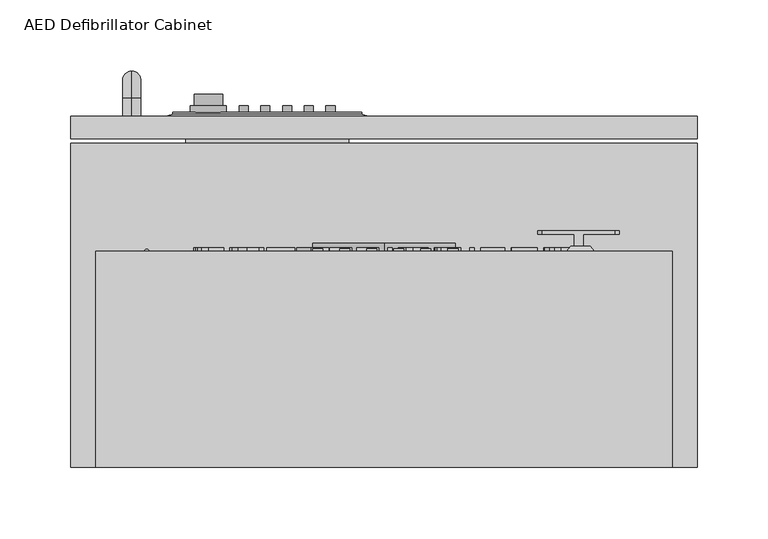
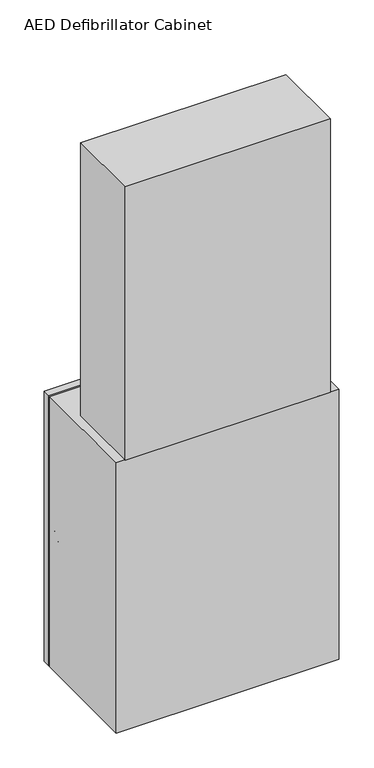
"""IFC4 building model written with IfcOpenShell, lengths in millimetres: proxy geometry, AED Defibrillator Cabinet."""

from ifc_helpers import new_model, si_unit, point, frame, frame_2d, origin, place, context, project, spatial, polyline, circle_curve, ellipse_curve, trimmed, segment, composite_curve, outline, extrude, faceted_brep, source, transform, mapped, element, save
from ifc_brep_helpers import plane_surface, cylinder_surface, revolved_surface, extruded_surface, advanced_brep


def aed_defibrillator_cabinet_9cc47177(model_context):
    return source(origin(), model_context, "Body", "SolidModel", [
        faceted_brep([(-15.5662807, 401.4462657, 1050.925), (-148.9162807, 401.4462657, 1050.925), (-148.9162807, 401.4462657, 1069.975), (-15.5662807, 401.4462657, 1069.975), (-11.1125, 400.05, 1038.225), (-11.1125, 400.05, 1082.675), (-153.9875, 400.05, 1082.675), (-153.9875, 400.05, 1038.225)], [[[0, 1, 2, 3]], [[4, 5, 6, 7]], [[4, 7, 1, 0]], [[7, 6, 2, 1]], [[6, 5, 3, 2]], [[5, 4, 0, 3]]]),
        extrude(outline(polyline([(-139.7, 392.9343826), (-24.8172321, 392.9343826), (-24.8172321, 380.4839733), (-139.7, 380.4839733), (-139.7, 392.9343826)])), frame((0.0, 0.0, 1050.925), z_axis=(0.0, 0.0, 1.0), x_axis=(1.0, 0.0, 0.0)), (0.0, 0.0, 1.0), 19.05),
        advanced_brep(
        [(-113.7031588, 415.4089733, 1060.45), (-133.7508181, 415.4089733, 1060.45), (-113.7031588, 407.3736838, 1060.45), (-133.7508181, 407.3736838, 1060.45)],
        [
            (0, 1, ellipse_curve(frame((-123.7269885, 415.4089733, 1060.308908), z_axis=(0.0, 1.0, 0.0), x_axis=(-1.0, 0.0, 0.0)), 10.0366454, 2.7928582)),
            (1, 0, ellipse_curve(frame((-123.7269885, 415.4089733, 1060.591092), z_axis=(0.0, 1.0, 0.0), x_axis=(-1.0, 0.0, 0.0)), 10.0366454, 2.7928582)),
            (2, 3, ellipse_curve(frame((-123.7269885, 407.3736838, 1060.591092), z_axis=(0.0, -1.0, 0.0), x_axis=(-1.0, 0.0, 0.0)), 10.0366454, 2.7928582)),
            (3, 2, ellipse_curve(frame((-123.7269885, 407.3736838, 1060.308908), z_axis=(0.0, -1.0, 0.0), x_axis=(-1.0, 0.0, 0.0)), 10.0366454, 2.7928582)),
            (0, 2),
            (3, 1),
        ],
        [
            plane_surface(frame((-133.7636339, 415.4089733, 1060.308908), z_axis=(0.0, 1.0, 0.0), x_axis=(0.0, 0.0, 1.0))),
            plane_surface(frame((-133.7636339, 407.3736838, 1060.308908), z_axis=(0.0, -1.0, 0.0), x_axis=(0.0, 0.0, -1.0))),
            extruded_surface(trimmed(ellipse_curve(frame((-123.7269885, 399.3383944, 1060.308908), z_axis=(0.0, 1.0, 0.0), x_axis=(-1.0, 0.0, 0.0)), 10.0366454, 2.7928582), [point((-113.7031588, 399.3383944, 1060.45))], [point((-133.7508181, 399.3383944, 1060.45))], True, "CARTESIAN"), (0.0, 8.035289399999954, 0.0), 8.035289399999954),
            extruded_surface(trimmed(ellipse_curve(frame((-123.7269885, 399.3383944, 1060.591092), z_axis=(0.0, 1.0, 0.0), x_axis=(-1.0, 0.0, 0.0)), 10.0366454, 2.7928582), [point((-133.7508181, 399.3383944, 1060.45))], [point((-113.7031588, 399.3383944, 1060.45))], True, "CARTESIAN"), (0.0, 8.035289399999954, 0.0), 8.035289399999954),
        ],
        [
            (0, [[1, 2]]),
            (1, [[3, 4]]),
            (2, [[-1, 5, -4, 6]]),
            (3, [[-2, -6, -3, -5]]),
        ],
    ),
        extrude(outline(composite_curve([segment(trimmed(circle_curve(frame_2d((1060.45, -99.0035386)), 3.175), [point((1060.45, -102.1785386))], [point((1060.45, -95.8285386))], False, "CARTESIAN"), True, "CONTINUOUS"), segment(trimmed(circle_curve(frame_2d((1060.45, -99.0035386)), 3.175), [point((1060.45, -95.8285386))], [point((1060.45, -102.1785386))], False, "CARTESIAN"), True, "CONTINUOUS")], self_intersect=False)), frame((0.0, 402.7089733, 0.0), z_axis=(0.0, 1.0, 0.0), x_axis=(0.0, 0.0, 1.0)), (0.0, 0.0, 1.0), 4.6647105),
        extrude(outline(composite_curve([segment(trimmed(circle_curve(frame_2d((1060.45, -83.6807345)), 3.175), [point((1060.45, -86.8557345))], [point((1060.45, -80.5057345))], False, "CARTESIAN"), True, "CONTINUOUS"), segment(trimmed(circle_curve(frame_2d((1060.45, -83.6807345)), 3.175), [point((1060.45, -80.5057345))], [point((1060.45, -86.8557345))], False, "CARTESIAN"), True, "CONTINUOUS")], self_intersect=False)), frame((0.0, 402.7089733, 0.0), z_axis=(0.0, 1.0, 0.0), x_axis=(0.0, 0.0, 1.0)), (0.0, 0.0, 1.0), 4.6647105),
        extrude(outline(composite_curve([segment(trimmed(circle_curve(frame_2d((1060.45, -68.3579304)), 3.175), [point((1060.45, -71.5329304))], [point((1060.45, -65.1829304))], False, "CARTESIAN"), True, "CONTINUOUS"), segment(trimmed(circle_curve(frame_2d((1060.45, -68.3579304)), 3.175), [point((1060.45, -65.1829304))], [point((1060.45, -71.5329304))], False, "CARTESIAN"), True, "CONTINUOUS")], self_intersect=False)), frame((0.0, 402.7089733, 0.0), z_axis=(0.0, 1.0, 0.0), x_axis=(0.0, 0.0, 1.0)), (0.0, 0.0, 1.0), 4.6647105),
        extrude(outline(composite_curve([segment(trimmed(circle_curve(frame_2d((1060.45, -53.0351263)), 3.175), [point((1060.45, -56.2101263))], [point((1060.45, -49.8601263))], False, "CARTESIAN"), True, "CONTINUOUS"), segment(trimmed(circle_curve(frame_2d((1060.45, -53.0351263)), 3.175), [point((1060.45, -49.8601263))], [point((1060.45, -56.2101263))], False, "CARTESIAN"), True, "CONTINUOUS")], self_intersect=False)), frame((0.0, 402.7089733, 0.0), z_axis=(0.0, 1.0, 0.0), x_axis=(0.0, 0.0, 1.0)), (0.0, 0.0, 1.0), 4.6647105),
        extrude(outline(composite_curve([segment(trimmed(circle_curve(frame_2d((1060.45, -37.7123222)), 3.175), [point((1060.45, -40.8873222))], [point((1060.45, -34.5373222))], False, "CARTESIAN"), True, "CONTINUOUS"), segment(trimmed(circle_curve(frame_2d((1060.45, -37.7123222)), 3.175), [point((1060.45, -34.5373222))], [point((1060.45, -40.8873222))], False, "CARTESIAN"), True, "CONTINUOUS")], self_intersect=False)), frame((0.0, 402.7089733, 0.0), z_axis=(0.0, 1.0, 0.0), x_axis=(0.0, 0.0, 1.0)), (0.0, 0.0, 1.0), 4.6647105),
        extrude(outline(composite_curve([segment(trimmed(circle_curve(frame_2d((1060.45, -124.0089509)), 12.7), [point((1060.45, -136.7089509))], [point((1060.45, -111.3089509))], False, "CARTESIAN"), True, "CONTINUOUS"), segment(trimmed(circle_curve(frame_2d((1060.45, -124.0089509)), 12.7), [point((1060.45, -111.3089509))], [point((1060.45, -136.7089509))], False, "CARTESIAN"), True, "CONTINUOUS")], self_intersect=False)), frame((0.0, 402.7089733, 0.0), z_axis=(0.0, 1.0, 0.0), x_axis=(0.0, 0.0, 1.0)), (0.0, 0.0, 1.0), 4.6647105),
        extrude(outline(polyline([(-148.9162807, 402.7089733), (-15.5662807, 402.7089733), (-15.5662807, 392.9343826), (-148.9162807, 392.9343826), (-148.9162807, 402.7089733)])), frame((0.0, 0.0, 1050.925), z_axis=(0.0, 0.0, 1.0), x_axis=(1.0, 0.0, 0.0)), (0.0, 0.0, 1.0), 19.05),
        advanced_brep(
        [(-177.8, 400.05, 1111.25), (-177.8, 400.05, 1123.95), (-177.8, 412.75, 1111.25), (-177.8, 412.75, 1123.95), (-177.8, 431.8, 1104.9), (-177.8, 419.1, 1104.9), (-177.8, 419.1, 1028.7), (-177.8, 431.8, 1028.7), (-177.8, 412.75, 1009.65), (-177.8, 412.75, 1022.35), (-177.8, 400.05, 1022.35), (-177.8, 400.05, 1009.65)],
        [
            (0, 1, circle_curve(frame((-177.8, 400.05, 1117.6), z_axis=(0.0, -1.0, 0.0), x_axis=(0.0, 0.0, 1.0)), 6.35)),
            (1, 0, circle_curve(frame((-177.8, 400.05, 1117.6), z_axis=(0.0, -1.0, 0.0), x_axis=(0.0, 0.0, 1.0)), 6.35)),
            (0, 2),
            (2, 3, circle_curve(frame((-177.8, 412.75, 1117.6), z_axis=(0.0, -1.0, 0.0), x_axis=(0.0, 0.0, 1.0)), 6.35)),
            (3, 1),
            (3, 2, circle_curve(frame((-177.8, 412.75, 1117.6), z_axis=(0.0, -1.0, 0.0), x_axis=(0.0, 0.0, 1.0)), 6.35)),
            (4, 3, circle_curve(frame((-177.8, 412.75, 1104.9), z_axis=(1.0, 0.0, 0.0), x_axis=(0.0, 0.0, 1.0)), 19.05)),
            (2, 5, circle_curve(frame((-177.8, 412.75, 1104.9), z_axis=(-1.0, 0.0, 0.0), x_axis=(0.0, 0.0, 1.0)), 6.35)),
            (5, 4, circle_curve(frame((-177.8, 425.45, 1104.9), z_axis=(0.0, 0.0, 1.0), x_axis=(0.0, 1.0, 0.0)), 6.35)),
            (4, 5, circle_curve(frame((-177.8, 425.45, 1104.9), z_axis=(0.0, 0.0, 1.0), x_axis=(0.0, 1.0, 0.0)), 6.35)),
            (5, 6),
            (6, 7, circle_curve(frame((-177.8, 425.45, 1028.7), z_axis=(0.0, 0.0, 1.0), x_axis=(0.0, 1.0, 0.0)), 6.35)),
            (7, 4),
            (7, 6, circle_curve(frame((-177.8, 425.45, 1028.7), z_axis=(0.0, 0.0, 1.0), x_axis=(0.0, 1.0, 0.0)), 6.35)),
            (8, 7, circle_curve(frame((-177.8, 412.75, 1028.7), z_axis=(1.0, 0.0, 0.0), x_axis=(0.0, 1.0, 0.0)), 19.05)),
            (6, 9, circle_curve(frame((-177.8, 412.75, 1028.7), z_axis=(-1.0, 0.0, 0.0), x_axis=(0.0, 1.0, 0.0)), 6.35)),
            (9, 8, circle_curve(frame((-177.8, 412.75, 1016.0), z_axis=(0.0, 1.0, 0.0), x_axis=(0.0, 0.0, -1.0)), 6.35)),
            (8, 9, circle_curve(frame((-177.8, 412.75, 1016.0), z_axis=(0.0, 1.0, 0.0), x_axis=(0.0, 0.0, -1.0)), 6.35)),
            (10, 11, circle_curve(frame((-177.8, 400.05, 1016.0), z_axis=(0.0, -1.0, 0.0), x_axis=(0.0, 0.0, -1.0)), 6.35)),
            (11, 10, circle_curve(frame((-177.8, 400.05, 1016.0), z_axis=(0.0, -1.0, 0.0), x_axis=(0.0, 0.0, -1.0)), 6.35)),
            (9, 10),
            (11, 8),
        ],
        [
            plane_surface(frame((-177.8, 400.05, 1123.95), z_axis=(0.0, -1.0, 0.0), x_axis=(1.0, 0.0, 0.0))),
            cylinder_surface(frame((-177.8, 400.05, 1117.6), z_axis=(0.0, -1.0, 0.0), x_axis=(0.0, 0.0, 1.0)), 6.35),
            revolved_surface(trimmed(ellipse_curve(frame((-177.8, 412.75, 1117.6), z_axis=(0.0, -1.0, 0.0), x_axis=(0.0, 0.0, 1.0)), 6.35, 6.35), [point((-177.8, 412.75, 1111.25))], [point((-177.8, 412.75, 1123.95))], True, "CARTESIAN"), (-177.8, 412.75, 1104.9), (-1.0, 0.0, 0.0)),
            revolved_surface(trimmed(ellipse_curve(frame((-177.8, 412.75, 1117.6), z_axis=(0.0, -1.0, 0.0), x_axis=(0.0, 0.0, 1.0)), 6.35, 6.35), [point((-177.8, 412.75, 1123.95))], [point((-177.8, 412.75, 1111.25))], True, "CARTESIAN"), (-177.8, 412.75, 1104.9), (-1.0, 0.0, 0.0)),
            cylinder_surface(frame((-177.8, 425.45, 1104.9), z_axis=(0.0, 0.0, 1.0), x_axis=(0.0, 1.0, 0.0)), 6.35),
            revolved_surface(trimmed(ellipse_curve(frame((-177.8, 425.45, 1028.7), z_axis=(0.0, 0.0, 1.0), x_axis=(0.0, 1.0, 0.0)), 6.35, 6.35), [point((-177.8, 419.1, 1028.7))], [point((-177.8, 431.8, 1028.7))], True, "CARTESIAN"), (-177.8, 412.75, 1028.7), (-1.0, 0.0, 0.0)),
            revolved_surface(trimmed(ellipse_curve(frame((-177.8, 425.45, 1028.7), z_axis=(0.0, 0.0, 1.0), x_axis=(0.0, 1.0, 0.0)), 6.35, 6.35), [point((-177.8, 431.8, 1028.7))], [point((-177.8, 419.1, 1028.7))], True, "CARTESIAN"), (-177.8, 412.75, 1028.7), (-1.0, 0.0, 0.0)),
            plane_surface(frame((-177.8, 400.05, 1022.35), z_axis=(0.0, -1.0, 0.0), x_axis=(-1.0, 0.0, 0.0))),
            cylinder_surface(frame((-177.8, 412.75, 1016.0), z_axis=(0.0, 1.0, 0.0), x_axis=(0.0, 0.0, -1.0)), 6.35),
        ],
        [
            (0, [[1, 2]]),
            (1, [[-1, 3, 4, 5]]),
            (1, [[-2, -5, 6, -3]]),
            (2, [[7, -4, 8, 9]]),
            (3, [[-8, -6, -7, 10]]),
            (4, [[-9, 11, 12, 13]]),
            (4, [[-10, -13, 14, -11]]),
            (5, [[15, -12, 16, 17]]),
            (6, [[-16, -14, -15, 18]]),
            (7, [[19, 20]]),
            (8, [[-17, 21, -20, 22]]),
            (8, [[-18, -22, -19, -21]]),
        ],
    ),
        extrude(outline(polyline([(1860.787211, 133.1619409), (1885.7964417, 133.1619409), (1885.7964417, 124.534489), (1885.4362013, 120.0711716), (1883.647211, 116.3954986), (1879.3731725, 113.4342005), (1873.4261533, 112.4511716), (1868.379735, 113.1167005), (1864.7376437, 114.8263159), (1862.4693504, 117.1098736), (1861.2146148, 120.0986476), (1860.787211, 124.1192966), (1860.787211, 133.1619409)]), holes=[polyline([(1863.9133648, 130.035787), (1863.9133648, 124.5039601), (1864.3651917, 120.4802582), (1865.6412975, 118.1600659), (1868.7460812, 116.2581188), (1873.4749994, 115.5773255), (1879.3975956, 116.9114361), (1882.1696148, 120.1566524), (1882.6702879, 124.5894409), (1882.6702879, 130.035787), (1863.9133648, 130.035787)])]), frame((0.0, 304.8, 0.0), z_axis=(0.0, 1.0, 0.0), x_axis=(0.0, 0.0, 1.0)), (0.0, 0.0, 1.0), 2.38125),
        extrude(outline(polyline([(1860.787211, 108.1527101), (1885.7964417, 108.1527101), (1885.7964417, 90.1773255), (1882.6702879, 90.1773255), (1882.6702879, 105.0265563), (1875.2456725, 105.0265563), (1875.2456725, 90.958864), (1872.1195187, 90.958864), (1872.1195187, 105.0265563), (1863.9133648, 105.0265563), (1863.9133648, 89.7865563), (1860.787211, 89.7865563), (1860.787211, 108.1527101)])), frame((0.0, 304.8, 0.0), z_axis=(0.0, 1.0, 0.0), x_axis=(0.0, 0.0, 1.0)), (0.0, 0.0, 1.0), 2.38125),
        extrude(outline(polyline([(1860.787211, 85.0973255), (1885.7964417, 85.0973255), (1885.7964417, 68.2942486), (1882.6702879, 68.2942486), (1882.6702879, 81.9711716), (1875.2456725, 81.9711716), (1875.2456725, 70.2480947), (1872.1195187, 70.2480947), (1872.1195187, 81.9711716), (1860.787211, 81.9711716), (1860.787211, 85.0973255)])), frame((0.0, 304.8, 0.0), z_axis=(0.0, 1.0, 0.0), x_axis=(0.0, 0.0, 1.0)), (0.0, 0.0, 1.0), 2.38125),
        extrude(outline(polyline([(60.478864, 307.18125), (63.6050178, 307.18125), (63.6050178, 304.8), (60.478864, 304.8), (60.478864, 307.18125)])), frame((0.0, 0.0, 1860.787211), z_axis=(0.0, 0.0, 1.0), x_axis=(1.0, 0.0, 0.0)), (0.0, 0.0, 1.0), 25.0092308),
        extrude(outline(polyline([(1860.787211, 54.2265563), (1885.7964417, 54.2265563), (1885.7964417, 44.683239), (1885.0606965, 40.0092726), (1882.798509, 37.2494649), (1879.599086, 36.2511716), (1876.6774754, 37.0907149), (1874.464134, 39.627662), (1872.1317302, 36.5473015), (1868.2423552, 35.4696332), (1864.8811292, 36.2053784), (1862.4876677, 38.0279505), (1861.2176677, 40.7480707), (1860.787211, 44.7565082), (1860.787211, 54.2265563)]), holes=[polyline([(1875.6364417, 51.1004024), (1875.6364417, 45.3915082), (1875.9050956, 42.0577582), (1877.0621388, 40.052013), (1879.0984129, 39.3773255), (1881.1377398, 40.0062197), (1882.3436292, 41.8074216), (1882.6702879, 45.8250178), (1882.6702879, 51.1004024), (1875.6364417, 51.1004024)]), polyline([(1863.9133648, 51.1004024), (1863.9133648, 44.6893447), (1864.0354802, 42.3691524), (1864.7162735, 40.4061476), (1866.105336, 39.1056188), (1868.2118263, 38.595787), (1870.6419225, 39.1941524), (1872.0920427, 41.1327341), (1872.5102879, 44.9946332), (1872.5102879, 51.1004024), (1863.9133648, 51.1004024)])]), frame((0.0, 304.8, 0.0), z_axis=(0.0, 1.0, 0.0), x_axis=(0.0, 0.0, 1.0)), (0.0, 0.0, 1.0), 2.38125),
        extrude(outline(polyline([(1860.787211, 31.1711716), (1885.7964417, 31.1711716), (1885.7964417, 20.394489), (1885.1217542, 15.3908111), (1882.7343985, 12.6554265), (1878.9518744, 11.6327101), (1874.4458167, 13.3270611), (1872.1195187, 18.5627582), (1870.7823552, 16.7859793), (1867.5646148, 14.2520851), (1860.787211, 10.0818447), (1860.787211, 13.7147774), (1865.971009, 16.9691524), (1869.4024513, 19.3198736), (1871.0235331, 20.9714841), (1871.6188456, 22.458239), (1871.7287494, 24.2716524), (1871.7287494, 28.0450178), (1860.787211, 28.0450178), (1860.787211, 31.1711716)]), holes=[polyline([(1874.8549033, 28.0450178), (1874.8549033, 21.0478063), (1875.2975715, 17.4789841), (1876.71411, 15.4518688), (1878.8358648, 14.758864), (1881.5895667, 16.080763), (1882.6702879, 20.260162), (1882.6702879, 28.0450178), (1874.8549033, 28.0450178)])]), frame((0.0, 304.8, 0.0), z_axis=(0.0, 1.0, 0.0), x_axis=(0.0, 0.0, 1.0)), (0.0, 0.0, 1.0), 2.38125),
        extrude(outline(polyline([(2.6450178, 307.18125), (5.7711716, 307.18125), (5.7711716, 304.8), (2.6450178, 304.8), (2.6450178, 307.18125)])), frame((0.0, 0.0, 1860.787211), z_axis=(0.0, 0.0, 1.0), x_axis=(1.0, 0.0, 0.0)), (0.0, 0.0, 1.0), 25.0092308),
        extrude(outline(polyline([(1860.787211, -3.6072899), (1885.7964417, -3.6072899), (1885.7964417, -6.7334437), (1863.9133648, -6.7334437), (1863.9133648, -19.2380591), (1860.787211, -19.2380591), (1860.787211, -3.6072899)])), frame((0.0, 304.8, 0.0), z_axis=(0.0, 1.0, 0.0), x_axis=(0.0, 0.0, 1.0)), (0.0, 0.0, 1.0), 2.38125),
        extrude(outline(polyline([(1860.787211, -22.7549822), (1885.7964417, -22.7549822), (1885.7964417, -25.881136), (1863.9133648, -25.881136), (1863.9133648, -38.3857514), (1860.787211, -38.3857514), (1860.787211, -22.7549822)])), frame((0.0, 304.8, 0.0), z_axis=(0.0, 1.0, 0.0), x_axis=(0.0, 0.0, 1.0)), (0.0, 0.0, 1.0), 2.38125),
        extrude(outline(polyline([(1860.787211, -38.9902226), (1885.7964417, -48.9731553), (1885.7964417, -51.6352707), (1860.787211, -61.6182034), (1860.787211, -58.3149822), (1868.6025956, -55.4513764), (1868.6025956, -45.1509437), (1860.787211, -42.2934437), (1860.787211, -38.9902226)]), holes=[polyline([(1871.7287494, -46.2988284), (1871.7287494, -54.3095976), (1877.877259, -52.0565687), (1882.6702879, -50.304213), (1878.4145667, -48.7472418), (1871.7287494, -46.2988284)])]), frame((0.0, 304.8, 0.0), z_axis=(0.0, 1.0, 0.0), x_axis=(0.0, 0.0, 1.0)), (0.0, 0.0, 1.0), 2.38125),
        extrude(outline(polyline([(1860.787211, -71.2103668), (1882.6702879, -71.2103668), (1882.6702879, -63.004213), (1885.7964417, -63.004213), (1885.7964417, -82.5426745), (1882.6702879, -82.5426745), (1882.6702879, -74.3365207), (1860.787211, -74.3365207), (1860.787211, -71.2103668)])), frame((0.0, 304.8, 0.0), z_axis=(0.0, 1.0, 0.0), x_axis=(0.0, 0.0, 1.0)), (0.0, 0.0, 1.0), 2.38125),
        extrude(outline(polyline([(1872.9621148, -84.8872899), (1882.6763937, -88.2210399), (1886.187211, -96.8240687), (1884.5386533, -103.0458476), (1879.941009, -107.2710399), (1873.249086, -108.724213), (1866.4655763, -107.1947178), (1861.9350956, -102.8596216), (1860.3964417, -96.8057514), (1862.0968985, -90.5168091), (1866.7372831, -86.3160399), (1872.9621148, -84.8872899)]), holes=[polyline([(1872.931586, -88.0134437), (1866.0381725, -90.5137562), (1863.5225956, -96.7874341), (1866.0625956, -103.1160639), (1873.273509, -105.5980591), (1878.432884, -104.5356553), (1881.8490619, -101.4308716), (1883.0610571, -96.842386), (1880.7256004, -90.6206072), (1872.931586, -88.0134437)])]), frame((0.0, 304.8, 0.0), z_axis=(0.0, 1.0, 0.0), x_axis=(0.0, 0.0, 1.0)), (0.0, 0.0, 1.0), 2.38125),
        extrude(outline(polyline([(1860.787211, -113.0226745), (1885.7964417, -113.0226745), (1885.7964417, -123.7993572), (1885.1217542, -128.8030351), (1882.7343985, -131.5384197), (1878.9518744, -132.561136), (1874.4458167, -130.8667851), (1872.1195187, -125.631088), (1870.7823552, -127.4078668), (1867.5646148, -129.941761), (1860.787211, -134.1120014), (1860.787211, -130.4790687), (1865.971009, -127.2246937), (1869.4024513, -124.8739726), (1871.0235331, -123.222362), (1871.6188456, -121.7356072), (1871.7287494, -119.9221937), (1871.7287494, -116.1488284), (1860.787211, -116.1488284), (1860.787211, -113.0226745)]), holes=[polyline([(1874.8549033, -116.1488284), (1874.8549033, -123.1460399), (1875.2975715, -126.714862), (1876.71411, -128.7419774), (1878.8358648, -129.4349822), (1881.5895667, -128.1130832), (1882.6702879, -123.9336841), (1882.6702879, -116.1488284), (1874.8549033, -116.1488284)])]), frame((0.0, 304.8, 0.0), z_axis=(0.0, 1.0, 0.0), x_axis=(0.0, 0.0, 1.0)), (0.0, 0.0, 1.0), 2.38125),
        extrude(outline(composite_curve([segment(trimmed(circle_curve(frame_2d((1769.0906989, 15.3206763)), 20.3831094), [point((1753.7700226, 28.7649326))], [point((1782.5349552, 0.0))], False, "CARTESIAN"), True, "CONTINUOUS"), segment(trimmed(circle_curve(frame_2d((1769.0906989, -15.3206763)), 20.3831094), [point((1782.5349552, 0.0))], [point((1753.7700226, -28.7649326))], False, "CARTESIAN"), True, "CONTINUOUS"), segment(polyline([(1753.7700226, -28.7649326), (1719.4893109, 0.0), (1753.7700226, 28.7649326)]), True, "CONTINUOUS")], self_intersect=False), holes=[polyline([(1759.8462001, -4.3928443), (1758.2948475, -1.0659579), (1762.9416292, -1.0659579), (1761.1816526, 2.708324), (1765.0052486, 2.708324), (1757.4753519, 18.1923236), (1758.742388, 7.9393439), (1754.0956063, 7.9393439), (1756.6394607, 2.708324), (1751.9398984, 2.708324), (1755.2512276, -4.3928443), (1759.8462001, -4.3928443)]), polyline([(1765.0052486, -0.0697461), (1766.5566012, -3.3966324), (1761.9098195, -3.3966324), (1763.6697961, -7.1709144), (1759.8462001, -7.1709144), (1767.3760968, -22.654914), (1766.1090607, -12.4019342), (1770.7558424, -12.4019342), (1768.2119881, -7.1709144), (1772.9115504, -7.1709144), (1769.6002212, -0.0697461), (1765.0052486, -0.0697461)])]), frame((0.0, 292.474904, 0.0), z_axis=(0.0, 1.0, 0.0), x_axis=(0.0, 0.0, 1.0)), (0.0, 0.0, 1.0), 4.5777323),
        extrude(outline(composite_curve([segment(trimmed(circle_curve(frame_2d((1618.0923731, 1.0953977)), 211.9060004), [point((1817.0182447, -71.9296023))], [point((1817.0182447, 74.1203977))], True, "CARTESIAN"), True, "CONTINUOUS"), segment(trimmed(circle_curve(frame_2d((1656.1658678, 1.0953977)), 176.6525906), [point((1817.0182447, 74.1203977))], [point((1817.0182447, -71.9296023))], False, "CARTESIAN"), True, "CONTINUOUS")], self_intersect=False)), frame((0.0, 223.3911405, 0.0), z_axis=(0.0, 1.0, 0.0), x_axis=(0.0, 0.0, 1.0)), (0.0, 0.0, 1.0), 22.280329),
        extrude(outline(composite_curve([segment(trimmed(circle_curve(frame_2d((1791.6182447, -71.9296023)), 25.4), [point((1817.0182447, -71.9296023))], [point((1791.6182447, -97.3296023))], False, "CARTESIAN"), True, "CONTINUOUS"), segment(polyline([(1791.6182447, -97.3296023), (1474.1182447, -97.3296023), (1474.1182447, 99.5203977), (1791.6182447, 99.5203977)]), True, "CONTINUOUS"), segment(trimmed(circle_curve(frame_2d((1791.6182447, 74.1203977)), 25.4), [point((1791.6182447, 99.5203977))], [point((1817.0182447, 74.1203977))], False, "CARTESIAN"), True, "CONTINUOUS"), segment(polyline([(1817.0182447, 74.1203977), (1817.0182447, -71.9296023)]), True, "CONTINUOUS")], self_intersect=False)), frame((0.0, 175.5696001, 0.0), z_axis=(0.0, 1.0, 0.0), x_axis=(0.0, 0.0, 1.0)), (0.0, 0.0, 1.0), 116.9053039),
        extrude(outline(composite_curve([segment(trimmed(circle_curve(frame_2d((1624.0730917, 21.5236446)), 28.6357335), [point((1602.5494471, 40.4111525))], [point((1642.9605996, 0.0))], False, "CARTESIAN"), True, "CONTINUOUS"), segment(trimmed(circle_curve(frame_2d((1624.0730917, -21.5236446)), 28.6357335), [point((1642.9605996, 0.0))], [point((1602.5494471, -40.4111525))], False, "CARTESIAN"), True, "CONTINUOUS"), segment(polyline([(1602.5494471, -40.4111525), (1554.3893109, 0.0), (1602.5494471, 40.4111525)]), True, "CONTINUOUS")], self_intersect=False), holes=[polyline([(1635.8974806, -5.8183129), (1635.8974806, 8.1945867), (1614.2416473, 18.2928676), (1614.2416473, 3.9610096), (1598.289048, 11.7187872), (1598.289048, -2.4521104), (1567.0214019, 1.4118626), (1614.2416473, -21.5514273), (1614.2416473, -9.8909296), (1625.7517562, -15.2581815), (1625.7517562, -1.0872839), (1635.8974806, -5.8183129)])]), frame((0.0, 304.8, 0.0), z_axis=(0.0, 1.0, 0.0), x_axis=(0.0, 0.0, 1.0)), (0.0, 0.0, 1.0), 5.6781844),
        extrude(outline(composite_curve([segment(trimmed(circle_curve(frame_2d((1906.4887595, 10.4305226)), 3.6338831), [point((1906.4887595, 14.0644057))], [point((1906.4887595, 6.7966395))], False, "CARTESIAN"), True, "CONTINUOUS"), segment(trimmed(circle_curve(frame_2d((1906.4887595, 10.4305226)), 3.6338831), [point((1906.4887595, 6.7966395))], [point((1906.4887595, 14.0644057))], False, "CARTESIAN"), True, "CONTINUOUS")], self_intersect=False)), frame((0.0, 304.8, 0.0), z_axis=(0.0, 1.0, 0.0), x_axis=(0.0, 0.0, 1.0)), (0.0, 0.0, 1.0), 1.6651996),
        extrude(outline(composite_curve([segment(trimmed(circle_curve(frame_2d((1906.4887595, 29.4805226)), 3.6338831), [point((1906.4887595, 33.1144057))], [point((1906.4887595, 25.8466395))], False, "CARTESIAN"), True, "CONTINUOUS"), segment(trimmed(circle_curve(frame_2d((1906.4887595, 29.4805226)), 3.6338831), [point((1906.4887595, 25.8466395))], [point((1906.4887595, 33.1144057))], False, "CARTESIAN"), True, "CONTINUOUS")], self_intersect=False)), frame((0.0, 304.8, 0.0), z_axis=(0.0, 1.0, 0.0), x_axis=(0.0, 0.0, 1.0)), (0.0, 0.0, 1.0), 1.6651996),
        extrude(outline(composite_curve([segment(trimmed(circle_curve(frame_2d((1906.4887595, 48.5305226)), 3.6338831), [point((1906.4887595, 52.1644057))], [point((1906.4887595, 44.8966395))], False, "CARTESIAN"), True, "CONTINUOUS"), segment(trimmed(circle_curve(frame_2d((1906.4887595, 48.5305226)), 3.6338831), [point((1906.4887595, 44.8966395))], [point((1906.4887595, 52.1644057))], False, "CARTESIAN"), True, "CONTINUOUS")], self_intersect=False)), frame((0.0, 304.8, 0.0), z_axis=(0.0, 1.0, 0.0), x_axis=(0.0, 0.0, 1.0)), (0.0, 0.0, 1.0), 1.6651996),
        extrude(outline(composite_curve([segment(trimmed(circle_curve(frame_2d((1906.4887595, -8.6194774)), 3.6338831), [point((1906.4887595, -4.9855943))], [point((1906.4887595, -12.2533605))], False, "CARTESIAN"), True, "CONTINUOUS"), segment(trimmed(circle_curve(frame_2d((1906.4887595, -8.6194774)), 3.6338831), [point((1906.4887595, -12.2533605))], [point((1906.4887595, -4.9855943))], False, "CARTESIAN"), True, "CONTINUOUS")], self_intersect=False)), frame((0.0, 304.8, 0.0), z_axis=(0.0, 1.0, 0.0), x_axis=(0.0, 0.0, 1.0)), (0.0, 0.0, 1.0), 1.6651996),
        extrude(outline(composite_curve([segment(trimmed(circle_curve(frame_2d((1906.4887595, -27.6694774)), 3.6338831), [point((1906.4887595, -24.0355943))], [point((1906.4887595, -31.3033605))], False, "CARTESIAN"), True, "CONTINUOUS"), segment(trimmed(circle_curve(frame_2d((1906.4887595, -27.6694774)), 3.6338831), [point((1906.4887595, -31.3033605))], [point((1906.4887595, -24.0355943))], False, "CARTESIAN"), True, "CONTINUOUS")], self_intersect=False)), frame((0.0, 304.8, 0.0), z_axis=(0.0, 1.0, 0.0), x_axis=(0.0, 0.0, 1.0)), (0.0, 0.0, 1.0), 1.6651996),
        extrude(outline(composite_curve([segment(trimmed(circle_curve(frame_2d((1906.4887595, -46.7194774)), 3.6338831), [point((1906.4887595, -43.0855943))], [point((1906.4887595, -50.3533605))], False, "CARTESIAN"), True, "CONTINUOUS"), segment(trimmed(circle_curve(frame_2d((1906.4887595, -46.7194774)), 3.6338831), [point((1906.4887595, -50.3533605))], [point((1906.4887595, -43.0855943))], False, "CARTESIAN"), True, "CONTINUOUS")], self_intersect=False)), frame((0.0, 304.8, 0.0), z_axis=(0.0, 1.0, 0.0), x_axis=(0.0, 0.0, 1.0)), (0.0, 0.0, 1.0), 1.6651996),
        extrude(outline(composite_curve([segment(trimmed(circle_curve(frame_2d((-167.2486093, 304.8)), 1.4137689), [point((-168.6623782, 304.8))], [point((-165.8348404, 304.8))], False, "CARTESIAN"), True, "CONTINUOUS"), segment(polyline([(-165.8348404, 304.8), (-168.6623782, 304.8)]), True, "CONTINUOUS")], self_intersect=False)), frame((0.0, 0.0, 1380.2055799), z_axis=(0.0, 0.0, 1.0), x_axis=(1.0, 0.0, 0.0)), (0.0, 0.0, 1.0), 513.5831571),
        advanced_brep(
        [(145.4778031, 308.078904, 1908.0253399), (131.5516811, 308.078904, 1908.0253399), (144.1062952, 308.078904, 1908.0253399), (132.923189, 308.078904, 1908.0253399), (148.3255305, 304.8, 1908.0253399), (128.7039537, 304.8, 1908.0253399), (132.923189, 304.8, 1908.0253399), (144.1062952, 304.8, 1908.0253399)],
        [
            (0, 1, circle_curve(frame((138.5147421, 308.078904, 1908.0253399), z_axis=(0.0, 1.0, 0.0), x_axis=(1.0, 0.0, 0.0)), 6.963061)),
            (1, 0, circle_curve(frame((138.5147421, 308.078904, 1908.0253399), z_axis=(0.0, 1.0, 0.0), x_axis=(-1.0, 0.0, 0.0)), 6.963061)),
            (2, 3, circle_curve(frame((138.5147421, 308.078904, 1908.0253399), z_axis=(0.0, -1.0, 0.0), x_axis=(-1.0, 0.0, 0.0)), 5.5915531)),
            (3, 2, circle_curve(frame((138.5147421, 308.078904, 1908.0253399), z_axis=(0.0, -1.0, 0.0), x_axis=(-1.0, 0.0, 0.0)), 5.5915531)),
            (4, 5, circle_curve(frame((138.5147421, 304.8, 1908.0253399), z_axis=(0.0, -1.0, 0.0), x_axis=(-1.0, 0.0, 0.0)), 9.8107884)),
            (5, 4, circle_curve(frame((138.5147421, 304.8, 1908.0253399), z_axis=(0.0, -1.0, 0.0), x_axis=(1.0, 0.0, 0.0)), 9.8107884)),
            (6, 7, circle_curve(frame((138.5147421, 304.8, 1908.0253399), z_axis=(0.0, 1.0, 0.0), x_axis=(-1.0, 0.0, 0.0)), 5.5915531)),
            (7, 6, circle_curve(frame((138.5147421, 304.8, 1908.0253399), z_axis=(0.0, 1.0, 0.0), x_axis=(-1.0, 0.0, 0.0)), 5.5915531)),
            (0, 4),
            (5, 1),
            (2, 7),
            (6, 3),
        ],
        [
            plane_surface(frame((138.5147421, 308.078904, 1908.0253399), z_axis=(0.0, 1.0, 0.0), x_axis=(0.0, 0.0, -1.0))),
            plane_surface(frame((138.5147421, 304.8, 1908.0253399), z_axis=(0.0, -1.0, 0.0), x_axis=(0.0, 0.0, -1.0))),
            revolved_surface(polyline([(145.47780309205444, 308.078904, 1908.0253399), (148.3255305, 304.8, 1908.0253399)]), (138.5147421, 316.0962474, 1908.0253399), (0.0, -1.0, 0.0)),
            revolved_surface(polyline([(131.55168110794557, 308.078904, 1908.0253399), (128.7039537, 304.8, 1908.0253399)]), (138.5147421, 316.0962474, 1908.0253399), (0.0, -1.0, 0.0)),
            revolved_surface(polyline([(132.923189, 304.8, 1908.0253399), (132.923189, 308.078904, 1908.0253399)]), (138.5147421, 312.8521322, 1908.0253399), (0.0, -1.0, 0.0)),
        ],
        [
            (0, [[1, 2], [3, 4]]),
            (1, [[5, 6], [7, 8]]),
            (2, [[-1, 9, -6, 10]]),
            (3, [[-2, -10, -5, -9]]),
            (4, [[11, -7, 12, -3]]),
            (4, [[-11, -4, -12, -8]]),
        ],
    ),
        advanced_brep(
        [(138.8740385, 308.078904, 1910.4866697), (138.8740385, 308.078904, 1912.1725106), (138.0745497, 308.078904, 1912.1725106), (138.0745497, 308.078904, 1910.4866697), (138.8740385, 304.8, 1912.1725106), (138.8740385, 304.8, 1910.4866697), (138.0745497, 304.8, 1910.4866697), (138.0745497, 304.8, 1912.1725106)],
        [
            (0, 1),
            (1, 2, circle_curve(frame((138.4742941, 308.078904, 1908.0387559), z_axis=(0.0, 1.0, 0.0), x_axis=(-1.0, 0.0, 0.0)), 4.1530378)),
            (2, 3),
            (3, 0),
            (4, 5),
            (5, 6),
            (6, 7),
            (7, 4, circle_curve(frame((138.4742941, 304.8, 1908.0387559), z_axis=(0.0, -1.0, 0.0), x_axis=(-1.0, 0.0, 0.0)), 4.1530378)),
            (0, 5),
            (4, 1),
            (7, 2),
            (6, 3),
        ],
        [
            plane_surface(frame((138.5147421, 308.078904, 1908.0253399), z_axis=(0.0, 1.0, 0.0), x_axis=(0.0, 0.0, -1.0))),
            plane_surface(frame((138.5147421, 304.8, 1908.0253399), z_axis=(0.0, -1.0, 0.0), x_axis=(0.0, 0.0, -1.0))),
            plane_surface(frame((138.8740385, 297.130433, 1910.4866697), z_axis=(-1.0, 0.0, 0.0), x_axis=(0.0, 1.0, 0.0))),
            cylinder_surface(frame((138.4742941, 304.8, 1908.0387559), z_axis=(0.0, 1.0, 0.0), x_axis=(-1.0, 0.0, 0.0)), 4.1530378),
            plane_surface(frame((138.0745497, 297.130433, 1912.1725106), z_axis=(1.0, 0.0, 0.0), x_axis=(0.0, 1.0, 0.0))),
            plane_surface(frame((138.0745497, 297.130433, 1910.4866697), z_axis=(0.0, 0.0, 1.0), x_axis=(0.0, 1.0, 0.0))),
        ],
        [
            (0, [[1, 2, 3, 4]]),
            (1, [[5, 6, 7, 8]]),
            (2, [[9, -5, 10, -1]]),
            (3, [[-10, -8, 11, -2]]),
            (4, [[-11, -7, 12, -3]]),
            (5, [[-9, -4, -12, -6]]),
        ],
    ),
        advanced_brep(
        [(133.9365426, 304.8, 1667.5965264), (133.9365426, 304.8, 1648.5465264), (140.2865426, 304.8, 1648.5465264), (140.2865426, 304.8, 1667.5965264), (140.2865426, 316.63923, 1667.5965264), (162.5115426, 316.63923, 1667.5965264), (162.5115426, 319.1454568, 1667.5965264), (111.7115426, 319.1454568, 1667.5965264), (111.7115426, 316.63923, 1667.5965264), (133.9365426, 316.63923, 1667.5965264), (140.2865426, 316.63923, 1648.5465264), (133.9365426, 316.63923, 1648.5465264), (111.7115426, 316.63923, 1648.5465264), (111.7115426, 319.1454568, 1648.5465264), (162.5115426, 319.1454568, 1648.5465264), (162.5115426, 316.63923, 1648.5465264), (165.6865426, 319.1454568, 1664.4215264), (165.6865426, 319.1454568, 1651.7215264), (108.5365426, 319.1454568, 1651.7215264), (108.5365426, 319.1454568, 1664.4215264), (108.5365426, 316.63923, 1664.4215264), (108.5365426, 316.63923, 1651.7215264), (165.6865426, 316.63923, 1651.7215264), (165.6865426, 316.63923, 1664.4215264)],
        [
            (0, 1),
            (1, 2),
            (2, 3),
            (3, 0),
            (3, 4),
            (4, 5),
            (5, 6),
            (6, 7),
            (7, 8),
            (8, 9),
            (9, 0),
            (2, 10),
            (10, 4),
            (1, 11),
            (11, 12),
            (12, 13),
            (13, 14),
            (14, 15),
            (15, 10),
            (9, 11),
            (6, 16, circle_curve(frame((162.5115426, 319.1454568, 1664.4215264), z_axis=(0.0, 1.0, 0.0), x_axis=(-1.0, 0.0, 0.0)), 3.175)),
            (16, 17),
            (17, 14, circle_curve(frame((162.5115426, 319.1454568, 1651.7215264), z_axis=(0.0, 1.0, 0.0), x_axis=(-1.0, 0.0, 0.0)), 3.175)),
            (13, 18, circle_curve(frame((111.7115426, 319.1454568, 1651.7215264), z_axis=(0.0, 1.0, 0.0), x_axis=(-1.0, 0.0, 0.0)), 3.175)),
            (18, 19),
            (19, 7, circle_curve(frame((111.7115426, 319.1454568, 1664.4215264), z_axis=(0.0, 1.0, 0.0), x_axis=(-1.0, 0.0, 0.0)), 3.175)),
            (8, 20, circle_curve(frame((111.7115426, 316.63923, 1664.4215264), z_axis=(0.0, -1.0, 0.0), x_axis=(-1.0, 0.0, 0.0)), 3.175)),
            (20, 21),
            (21, 12, circle_curve(frame((111.7115426, 316.63923, 1651.7215264), z_axis=(0.0, -1.0, 0.0), x_axis=(-1.0, 0.0, 0.0)), 3.175)),
            (15, 22, circle_curve(frame((162.5115426, 316.63923, 1651.7215264), z_axis=(0.0, -1.0, 0.0), x_axis=(-1.0, 0.0, 0.0)), 3.175)),
            (22, 23),
            (23, 5, circle_curve(frame((162.5115426, 316.63923, 1664.4215264), z_axis=(0.0, -1.0, 0.0), x_axis=(-1.0, 0.0, 0.0)), 3.175)),
            (16, 23),
            (22, 17),
            (18, 21),
            (20, 19),
        ],
        [
            plane_surface(frame((140.2865426, 304.8, 1667.5965264), z_axis=(0.0, -1.0, 0.0), x_axis=(-1.0, 0.0, 0.0))),
            plane_surface(frame((133.9365426, 316.63923, 1667.5965264), z_axis=(0.0, 0.0, 1.0), x_axis=(0.0, -1.0, 0.0))),
            plane_surface(frame((140.2865426, 316.63923, 1667.5965264), z_axis=(1.0, 0.0, 0.0), x_axis=(0.0, -1.0, 0.0))),
            plane_surface(frame((140.2865426, 316.63923, 1648.5465264), z_axis=(0.0, 0.0, -1.0), x_axis=(0.0, -1.0, 0.0))),
            plane_surface(frame((133.9365426, 316.63923, 1648.5465264), z_axis=(-1.0, 0.0, 0.0), x_axis=(0.0, -1.0, 0.0))),
            plane_surface(frame((165.6865426, 319.1454568, 1667.5965264), z_axis=(0.0, 1.0, 0.0), x_axis=(1.0, 0.0, 0.0))),
            plane_surface(frame((165.6865426, 316.63923, 1667.5965264), z_axis=(0.0, -1.0, 0.0), x_axis=(-1.0, 0.0, 0.0))),
            plane_surface(frame((165.6865426, 319.1454568, 1664.4215264), z_axis=(1.0, 0.0, 0.0), x_axis=(0.0, -1.0, 0.0))),
            plane_surface(frame((108.5365426, 319.1454568, 1651.7215264), z_axis=(-1.0, 0.0, 0.0), x_axis=(0.0, -1.0, 0.0))),
            cylinder_surface(frame((162.5115426, 316.63923, 1664.4215264), z_axis=(0.0, 1.0, 0.0), x_axis=(-1.0, 0.0, 0.0)), 3.175),
            cylinder_surface(frame((162.5115426, 316.63923, 1651.7215264), z_axis=(0.0, 1.0, 0.0), x_axis=(-1.0, 0.0, 0.0)), 3.175),
            cylinder_surface(frame((111.7115426, 316.63923, 1651.7215264), z_axis=(0.0, 1.0, 0.0), x_axis=(-1.0, 0.0, 0.0)), 3.175),
            cylinder_surface(frame((111.7115426, 316.63923, 1664.4215264), z_axis=(0.0, 1.0, 0.0), x_axis=(-1.0, 0.0, 0.0)), 3.175),
        ],
        [
            (0, [[1, 2, 3, 4]]),
            (1, [[-4, 5, 6, 7, 8, 9, 10, 11]]),
            (2, [[-3, 12, 13, -5]]),
            (3, [[-2, 14, 15, 16, 17, 18, 19, -12]]),
            (4, [[-1, -11, 20, -14]]),
            (5, [[-8, 21, 22, 23, -17, 24, 25, 26]]),
            (6, [[27, 28, 29, -15, -20, -10]]),
            (6, [[30, 31, 32, -6, -13, -19]]),
            (7, [[-22, 33, -31, 34]]),
            (8, [[-25, 35, -28, 36]]),
            (9, [[-21, -7, -32, -33]]),
            (10, [[-23, -34, -30, -18]]),
            (11, [[-24, -16, -29, -35]]),
            (12, [[-26, -36, -27, -9]]),
        ],
    ),
        extrude(outline(composite_curve([segment(trimmed(circle_curve(frame_2d((1846.1605996, -131.7754302)), 6.35), [point((1852.5105996, -131.7754302))], [point((1846.1605996, -138.1254302))], False, "CARTESIAN"), True, "CONTINUOUS"), segment(polyline([(1846.1605996, -138.1254302), (1700.1105996, -138.1254302)]), True, "CONTINUOUS"), segment(trimmed(circle_curve(frame_2d((1700.1105996, -131.7754302)), 6.35), [point((1700.1105996, -138.1254302))], [point((1693.7605996, -131.7754302))], False, "CARTESIAN"), True, "CONTINUOUS"), segment(polyline([(1693.7605996, -131.7754302), (1693.7605996, 133.8959991)]), True, "CONTINUOUS"), segment(trimmed(circle_curve(frame_2d((1700.1105996, 133.8959991)), 6.35), [point((1693.7605996, 133.8959991))], [point((1700.1105996, 140.2459991))], False, "CARTESIAN"), True, "CONTINUOUS"), segment(polyline([(1700.1105996, 140.2459991), (1846.1605996, 140.2459991)]), True, "CONTINUOUS"), segment(trimmed(circle_curve(frame_2d((1846.1605996, 133.8959991)), 6.35), [point((1846.1605996, 140.2459991))], [point((1852.5105996, 133.8959991))], False, "CARTESIAN"), True, "CONTINUOUS"), segment(polyline([(1852.5105996, 133.8959991), (1852.5105996, -131.7754302)]), True, "CONTINUOUS")], self_intersect=False)), frame((0.0, 301.5942843, 0.0), z_axis=(0.0, 1.0, 0.0), x_axis=(0.0, 0.0, 1.0)), (0.0, 0.0, 1.0), 1.5286051),
        advanced_brep(
        [(-203.2, 304.8, 1352.55), (-203.2, 304.8, 1924.05), (203.2, 304.8, 1924.05), (203.2, 304.8, 1352.55), (-167.2486093, 304.8, 1894.2659913), (-167.2486093, 304.8, 1379.9159913), (169.3013907, 304.8, 1379.9159913), (169.3013907, 304.8, 1894.2659913), (144.1062952, 304.8, 1908.0253399), (132.923189, 304.8, 1908.0253399), (-203.2, 152.4, 1352.55), (203.2, 152.4, 1352.55), (203.2, 152.4, 1924.05), (-203.2, 152.4, 1924.05), (-167.2486093, 303.1228894, 1894.2659913), (-167.2486093, 303.1228894, 1379.9159913), (169.3013907, 303.1228894, 1379.9159913), (169.3013907, 303.1228894, 1894.2659913), (-196.85, 155.3064652, 1921.9333118), (196.85, 155.3064652, 1921.9333118), (196.85, 155.3064652, 1354.2656002), (-196.85, 155.3064652, 1354.2656002), (-196.85, 303.1228894, 1921.9333118), (-196.85, 303.1228894, 1354.2656002), (196.85, 303.1228894, 1354.2656002), (196.85, 303.1228894, 1921.9333118), (132.923189, 303.1228894, 1908.0253399), (144.1062952, 303.1228894, 1908.0253399)],
        [
            (0, 1),
            (1, 2),
            (2, 3),
            (3, 0),
            (4, 5),
            (5, 6),
            (6, 7),
            (7, 4),
            (8, 9, circle_curve(frame((138.5147421, 304.8, 1908.0253399), z_axis=(0.0, -1.0, 0.0), x_axis=(-1.0, 0.0, 0.0)), 5.5915531)),
            (9, 8, circle_curve(frame((138.5147421, 304.8, 1908.0253399), z_axis=(0.0, -1.0, 0.0), x_axis=(-1.0, 0.0, 0.0)), 5.5915531)),
            (10, 11),
            (11, 12),
            (12, 13),
            (13, 10),
            (0, 10),
            (13, 1),
            (12, 2),
            (11, 3),
            (4, 14),
            (14, 15),
            (15, 5),
            (15, 16),
            (16, 6),
            (16, 17),
            (17, 7),
            (17, 14),
            (18, 19),
            (19, 20),
            (20, 21),
            (21, 18),
            (22, 23),
            (23, 24),
            (24, 25),
            (25, 22),
            (26, 27, circle_curve(frame((138.5147421, 303.1228894, 1908.0253399), z_axis=(0.0, 1.0, 0.0), x_axis=(-1.0, 0.0, 0.0)), 5.5915531)),
            (27, 26, circle_curve(frame((138.5147421, 303.1228894, 1908.0253399), z_axis=(0.0, 1.0, 0.0), x_axis=(-1.0, 0.0, 0.0)), 5.5915531)),
            (21, 23),
            (22, 18),
            (20, 24),
            (19, 25),
            (8, 27),
            (26, 9),
        ],
        [
            plane_surface(frame((-203.2, 304.8, 1352.55), z_axis=(0.0, 1.0, 0.0), x_axis=(0.0, 0.0, 1.0))),
            plane_surface(frame((-203.2, 152.4, 1352.55), z_axis=(0.0, -1.0, 0.0), x_axis=(0.0, 0.0, -1.0))),
            plane_surface(frame((-203.2, 304.8, 1352.55), z_axis=(-1.0, 0.0, 0.0), x_axis=(0.0, -1.0, 0.0))),
            plane_surface(frame((-203.2, 304.8, 1924.05), z_axis=(0.0, 0.0, 1.0), x_axis=(0.0, -1.0, 0.0))),
            plane_surface(frame((203.2, 304.8, 1924.05), z_axis=(1.0, 0.0, 0.0), x_axis=(0.0, -1.0, 0.0))),
            plane_surface(frame((203.2, 304.8, 1352.55), z_axis=(0.0, 0.0, -1.0), x_axis=(0.0, -1.0, 0.0))),
            plane_surface(frame((-167.2486093, 297.130433, 1894.2659913), z_axis=(1.0, 0.0, 0.0), x_axis=(0.0, 1.0, 0.0))),
            plane_surface(frame((-167.2486093, 297.130433, 1379.9159913), z_axis=(0.0, 0.0, 1.0), x_axis=(0.0, 1.0, 0.0))),
            plane_surface(frame((169.3013907, 297.130433, 1379.9159913), z_axis=(-1.0, 0.0, 0.0), x_axis=(0.0, 1.0, 0.0))),
            plane_surface(frame((169.3013907, 297.130433, 1894.2659913), z_axis=(0.0, 0.0, -1.0), x_axis=(0.0, 1.0, 0.0))),
            plane_surface(frame((-196.85, 155.3064652, 1908.0932513), z_axis=(0.0, 1.0, 0.0), x_axis=(0.0, 0.0, -1.0))),
            plane_surface(frame((-196.85, 303.1228894, 1908.0932513), z_axis=(0.0, -1.0, 0.0), x_axis=(0.0, 0.0, 1.0))),
            plane_surface(frame((-196.85, 155.3064652, 1921.9333118), z_axis=(1.0, 0.0, 0.0), x_axis=(0.0, 1.0, 0.0))),
            plane_surface(frame((-196.85, 155.3064652, 1354.2656002), z_axis=(0.0, 0.0, 1.0), x_axis=(0.0, 1.0, 0.0))),
            plane_surface(frame((196.85, 155.3064652, 1354.2656002), z_axis=(-1.0, 0.0, 0.0), x_axis=(0.0, 1.0, 0.0))),
            plane_surface(frame((196.85, 155.3064652, 1921.9333118), z_axis=(0.0, 0.0, -1.0), x_axis=(0.0, 1.0, 0.0))),
            revolved_surface(polyline([(132.923189, 303.1228894, 1908.0253399), (132.923189, 304.8, 1908.0253399)]), (138.5147421, 312.8521322, 1908.0253399), (0.0, -1.0, 0.0)),
        ],
        [
            (0, [[1, 2, 3, 4], [5, 6, 7, 8], [9, 10]]),
            (1, [[11, 12, 13, 14]]),
            (2, [[-1, 15, -14, 16]]),
            (3, [[-2, -16, -13, 17]]),
            (4, [[-3, -17, -12, 18]]),
            (5, [[-4, -18, -11, -15]]),
            (6, [[-5, 19, 20, 21]]),
            (7, [[-6, -21, 22, 23]]),
            (8, [[-7, -23, 24, 25]]),
            (9, [[-8, -25, 26, -19]]),
            (10, [[27, 28, 29, 30]]),
            (11, [[31, 32, 33, 34], [-20, -26, -24, -22], [35, 36]]),
            (12, [[-30, 37, -31, 38]]),
            (13, [[-29, 39, -32, -37]]),
            (14, [[-28, 40, -33, -39]]),
            (15, [[-27, -38, -34, -40]]),
            (16, [[41, -35, 42, -9]]),
            (16, [[-41, -10, -42, -36]]),
        ],
    ),
        advanced_brep(
        [(-166.819737, 304.8, 1893.788737), (168.8773797, 304.8, 1893.788737), (168.8773797, 304.8, 1380.2055799), (-166.819737, 304.8, 1380.2055799), (-131.7754302, 304.8, 1852.5105996), (-138.1254302, 304.8, 1846.1605996), (-138.1254302, 304.8, 1700.1105996), (-131.7754302, 304.8, 1693.7605996), (133.8959991, 304.8, 1693.7605996), (140.2459991, 304.8, 1700.1105996), (140.2459991, 304.8, 1846.1605996), (133.8959991, 304.8, 1852.5105996), (-166.819737, 303.1228894, 1893.788737), (168.8773797, 303.1228894, 1893.788737), (168.8773797, 303.1228894, 1380.2055799), (-166.819737, 303.1228894, 1380.2055799), (-131.7754302, 303.1228894, 1852.5105996), (-138.1254302, 303.1228894, 1846.1605996), (-138.1254302, 303.1228894, 1700.1105996), (-131.7754302, 303.1228894, 1693.7605996), (133.8959991, 303.1228894, 1693.7605996), (140.2459991, 303.1228894, 1700.1105996), (140.2459991, 303.1228894, 1846.1605996), (133.8959991, 303.1228894, 1852.5105996)],
        [
            (0, 1),
            (1, 2),
            (2, 3),
            (3, 0),
            (4, 5, circle_curve(frame((-131.7754302, 304.8, 1846.1605996), z_axis=(0.0, -1.0, 0.0), x_axis=(-1.0, 0.0, 0.0)), 6.35)),
            (5, 6),
            (6, 7, circle_curve(frame((-131.7754302, 304.8, 1700.1105996), z_axis=(0.0, -1.0, 0.0), x_axis=(-1.0, 0.0, 0.0)), 6.35)),
            (7, 8),
            (8, 9, circle_curve(frame((133.8959991, 304.8, 1700.1105996), z_axis=(0.0, -1.0, 0.0), x_axis=(-1.0, 0.0, 0.0)), 6.35)),
            (9, 10),
            (10, 11, circle_curve(frame((133.8959991, 304.8, 1846.1605996), z_axis=(0.0, -1.0, 0.0), x_axis=(-1.0, 0.0, 0.0)), 6.35)),
            (11, 4),
            (0, 12),
            (12, 13),
            (13, 1),
            (13, 14),
            (14, 2),
            (14, 15),
            (15, 3),
            (15, 12),
            (4, 16),
            (16, 17, circle_curve(frame((-131.7754302, 303.1228894, 1846.1605996), z_axis=(0.0, -1.0, 0.0), x_axis=(-1.0, 0.0, 0.0)), 6.35)),
            (17, 5),
            (17, 18),
            (18, 6),
            (18, 19, circle_curve(frame((-131.7754302, 303.1228894, 1700.1105996), z_axis=(0.0, -1.0, 0.0), x_axis=(-1.0, 0.0, 0.0)), 6.35)),
            (19, 7),
            (19, 20),
            (20, 8),
            (20, 21, circle_curve(frame((133.8959991, 303.1228894, 1700.1105996), z_axis=(0.0, -1.0, 0.0), x_axis=(-1.0, 0.0, 0.0)), 6.35)),
            (21, 9),
            (21, 22),
            (22, 10),
            (22, 23, circle_curve(frame((133.8959991, 303.1228894, 1846.1605996), z_axis=(0.0, -1.0, 0.0), x_axis=(-1.0, 0.0, 0.0)), 6.35)),
            (23, 11),
            (23, 16),
        ],
        [
            plane_surface(frame((-203.2, 304.8, 1352.55), z_axis=(0.0, 1.0, 0.0), x_axis=(0.0, 0.0, 1.0))),
            plane_surface(frame((-166.819737, 297.130433, 1893.788737), z_axis=(0.0, 0.0, 1.0), x_axis=(0.0, 1.0, 0.0))),
            plane_surface(frame((168.8773797, 297.130433, 1893.788737), z_axis=(1.0, 0.0, 0.0), x_axis=(0.0, 1.0, 0.0))),
            plane_surface(frame((168.8773797, 297.130433, 1380.2055799), z_axis=(0.0, 0.0, -1.0), x_axis=(0.0, 1.0, 0.0))),
            plane_surface(frame((-166.819737, 297.130433, 1380.2055799), z_axis=(-1.0, 0.0, 0.0), x_axis=(0.0, 1.0, 0.0))),
            revolved_surface(polyline([(-138.12543019999998, 303.1228894, 1846.1605996), (-138.12543019999998, 304.8, 1846.1605996)]), (-131.7754302, 342.3596084, 1846.1605996), (0.0, -1.0, 0.0)),
            plane_surface(frame((-138.1254302, 219.1119363, 1846.1605996), z_axis=(1.0, 0.0, 0.0), x_axis=(0.0, 1.0, 0.0))),
            revolved_surface(polyline([(-138.12543019999998, 303.1228894, 1700.1105996), (-138.12543019999998, 304.8, 1700.1105996)]), (-131.7754302, 342.3596084, 1700.1105996), (0.0, -1.0, 0.0)),
            plane_surface(frame((-131.7754302, 219.1119363, 1693.7605996), z_axis=(0.0, 0.0, 1.0), x_axis=(0.0, 1.0, 0.0))),
            revolved_surface(polyline([(127.54599910000002, 303.1228894, 1700.1105996), (127.54599910000002, 304.8, 1700.1105996)]), (133.8959991, 342.3596084, 1700.1105996), (0.0, -1.0, 0.0)),
            plane_surface(frame((140.2459991, 219.1119363, 1700.1105996), z_axis=(-1.0, 0.0, 0.0), x_axis=(0.0, 1.0, 0.0))),
            revolved_surface(polyline([(127.54599910000002, 303.1228894, 1846.1605996), (127.54599910000002, 304.8, 1846.1605996)]), (133.8959991, 342.3596084, 1846.1605996), (0.0, -1.0, 0.0)),
            plane_surface(frame((133.8959991, 219.1119363, 1852.5105996), z_axis=(0.0, 0.0, -1.0), x_axis=(0.0, 1.0, 0.0))),
            plane_surface(frame((-196.85, 303.1228894, 1908.0932513), z_axis=(0.0, -1.0, 0.0), x_axis=(0.0, 0.0, 1.0))),
        ],
        [
            (0, [[1, 2, 3, 4], [5, 6, 7, 8, 9, 10, 11, 12]]),
            (1, [[-1, 13, 14, 15]]),
            (2, [[-2, -15, 16, 17]]),
            (3, [[-3, -17, 18, 19]]),
            (4, [[-4, -19, 20, -13]]),
            (5, [[-5, 21, 22, 23]]),
            (6, [[-6, -23, 24, 25]]),
            (7, [[-7, -25, 26, 27]]),
            (8, [[-8, -27, 28, 29]]),
            (9, [[-9, -29, 30, 31]]),
            (10, [[-10, -31, 32, 33]]),
            (11, [[-11, -33, 34, 35]]),
            (12, [[-12, -35, 36, -21]]),
            (13, [[-14, -20, -18, -16], [-22, -36, -34, -32, -30, -28, -26, -24]]),
        ],
    ),
        advanced_brep(
        [(138.8740385, 304.8, 1910.4866697), (138.8740385, 304.8, 1912.1725106), (138.0745497, 304.8, 1912.1725106), (138.0745497, 304.8, 1910.4866697), (138.8740385, 303.1228894, 1912.1725106), (138.8740385, 303.1228894, 1910.4866697), (138.0745497, 303.1228894, 1910.4866697), (138.0745497, 303.1228894, 1912.1725106)],
        [
            (0, 1),
            (1, 2, circle_curve(frame((138.4742941, 304.8, 1908.0387559), z_axis=(0.0, 1.0, 0.0), x_axis=(-1.0, 0.0, 0.0)), 4.1530378)),
            (2, 3),
            (3, 0),
            (4, 5),
            (5, 6),
            (6, 7),
            (7, 4, circle_curve(frame((138.4742941, 303.1228894, 1908.0387559), z_axis=(0.0, -1.0, 0.0), x_axis=(-1.0, 0.0, 0.0)), 4.1530378)),
            (0, 5),
            (4, 1),
            (7, 2),
            (6, 3),
        ],
        [
            plane_surface(frame((-203.2, 304.8, 1352.55), z_axis=(0.0, 1.0, 0.0), x_axis=(0.0, 0.0, 1.0))),
            plane_surface(frame((-196.85, 303.1228894, 1908.0932513), z_axis=(0.0, -1.0, 0.0), x_axis=(0.0, 0.0, 1.0))),
            plane_surface(frame((138.8740385, 297.130433, 1910.4866697), z_axis=(-1.0, 0.0, 0.0), x_axis=(0.0, 1.0, 0.0))),
            cylinder_surface(frame((138.4742941, 304.8, 1908.0387559), z_axis=(0.0, 1.0, 0.0), x_axis=(-1.0, 0.0, 0.0)), 4.1530378),
            plane_surface(frame((138.0745497, 297.130433, 1912.1725106), z_axis=(1.0, 0.0, 0.0), x_axis=(0.0, 1.0, 0.0))),
            plane_surface(frame((138.0745497, 297.130433, 1910.4866697), z_axis=(0.0, 0.0, 1.0), x_axis=(0.0, 1.0, 0.0))),
        ],
        [
            (0, [[1, 2, 3, 4]]),
            (1, [[5, 6, 7, 8]]),
            (2, [[9, -5, 10, -1]]),
            (3, [[-10, -8, 11, -2]]),
            (4, [[-11, -7, 12, -3]]),
            (5, [[-9, -4, -12, -6]]),
        ],
    ),
        extrude(outline(polyline([(-220.6625, 400.05), (220.6625, 400.05), (220.6625, 384.175), (-220.6625, 384.175), (-220.6625, 400.05)])), frame((0.0, 0.0, 787.4), z_axis=(0.0, 0.0, 1.0), x_axis=(1.0, 0.0, 0.0)), (0.0, 0.0, 1.0), 565.15),
        extrude(outline(polyline([(220.6625, 152.4), (-220.6625, 152.4), (-220.6625, 381.0), (220.6625, 381.0), (220.6625, 152.4)])), frame((0.0, 0.0, 787.4), z_axis=(0.0, 0.0, 1.0), x_axis=(1.0, 0.0, 0.0)), (0.0, 0.0, 1.0), 565.15),
    ])


if __name__ == "__main__":
    model = new_model("IFC4")
    model_context = context("Model", 3, world=origin())
    ifc_project = project(units=[si_unit("LENGTHUNIT", "METRE", prefix="MILLI")], contexts=[model_context])
    site = spatial("IfcSite", under=ifc_project)
    building = spatial("IfcBuilding", under=site)
    placement = place(None, origin())
    aed_defibrillator_cabinet_shape = aed_defibrillator_cabinet_9cc47177(model_context)
    element("IfcBuildingElementProxy", 1, Name="AED Defibrillator Cabinet", ObjectType="AED Defibrillator Cabinet", at=placement, inside=building, context=model_context, shape_type="MappedRepresentation", body=[
        mapped(aed_defibrillator_cabinet_shape, transform((0.0, 0.0, 0.0), x_axis=(1.0, 0.0, 0.0), y_axis=(0.0, 1.0, 0.0), z_axis=(0.0, 0.0, 1.0))),
    ])
    save(model, "model.ifc")
